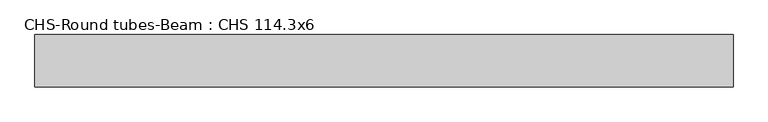
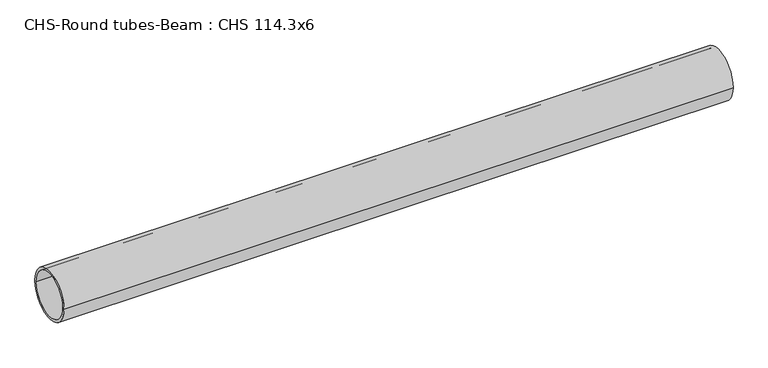
"""IFC4 building model written with IfcOpenShell, lengths in millimetres: beam geometry, CHS-Round tubes-Beam : CHS 114.3x6."""

from ifc_helpers import new_model, si_unit, point, frame, origin, origin_2d, place, context, project, spatial, circle_curve, trimmed, segment, composite_curve, outline, extrude, source, transform, mapped, element, save


def chs_round_tubes_beam_chs_114_3x6_e0d9ab3d(model_context):
    return source(origin(), model_context, "Body", "SweptSolid", [
        extrude(outline(composite_curve([segment(trimmed(circle_curve(origin_2d(), 57.15), [point((57.15, 0.0))], [point((-57.15, 0.0))], False, "CARTESIAN"), True, "CONTINUOUS"), segment(trimmed(circle_curve(origin_2d(), 57.15), [point((-57.15, 0.0))], [point((57.15, 0.0))], False, "CARTESIAN"), True, "CONTINUOUS")], self_intersect=False), holes=[composite_curve([segment(trimmed(circle_curve(origin_2d(), 51.15), [point((51.15, 0.0))], [point((-51.15, 0.0))], True, "CARTESIAN"), True, "CONTINUOUS"), segment(trimmed(circle_curve(origin_2d(), 51.15), [point((-51.15, 0.0))], [point((51.15, 0.0))], True, "CARTESIAN"), True, "CONTINUOUS")], self_intersect=False)]), frame((-744.4692592, 0.0, 0.0), z_axis=(1.0, 0.0, 0.0), x_axis=(0.0, 1.0, 0.0)), (0.0, 0.0, 1.0), 1520.1170141),
    ])


if __name__ == "__main__":
    model = new_model("IFC4")
    model_context = context("Model", 3, world=origin())
    ifc_project = project(units=[si_unit("LENGTHUNIT", "METRE", prefix="MILLI")], contexts=[model_context])
    site = spatial("IfcSite", under=ifc_project)
    building = spatial("IfcBuilding", under=site)
    placement = place(None, origin())
    chs_round_tubes_beam_chs_114_3x6_shape = chs_round_tubes_beam_chs_114_3x6_e0d9ab3d(model_context)
    element("IfcBeam", 1, ObjectType="CHS-Round tubes-Beam : CHS 114.3x6", at=placement, inside=building, context=model_context, shape_type="MappedRepresentation", body=[
        mapped(chs_round_tubes_beam_chs_114_3x6_shape, transform((0.0, 0.0, 0.0), x_axis=(1.0, 0.0, 0.0), y_axis=(0.0, 1.0, 0.0), z_axis=(0.0, 0.0, 1.0))),
    ])
    save(model, "model.ifc")
